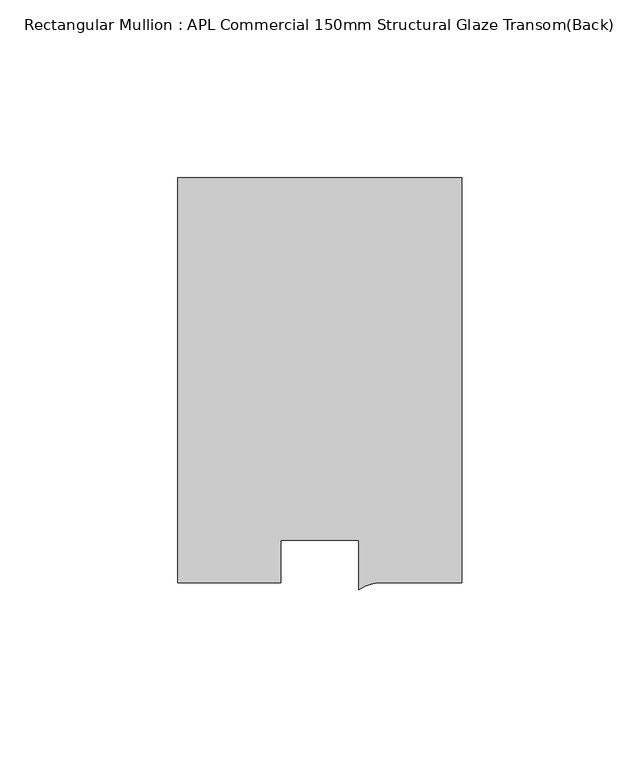
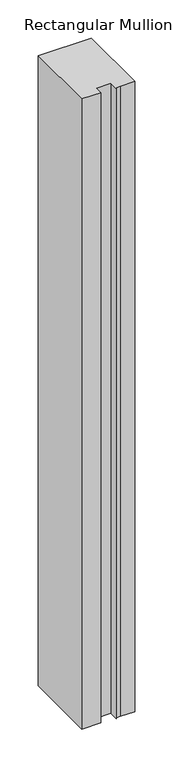
"""IFC4 building model written with IfcOpenShell, lengths in millimetres: member geometry, Rectangular Mullion : APL Commercial 150mm Structural Glaze Transom(Back)."""

from ifc_helpers import new_model, si_unit, point, frame, frame_2d, origin, place, context, project, spatial, polyline, circle_curve, trimmed, segment, composite_curve, outline, extrude, source, transform, mapped, element, save


def rectangular_mullion_apl_commercial_150mm_structural_glaze_7a8edaf1(model_context):
    return source(origin(), model_context, "Body", "SweptSolid", [
        extrude(outline(composite_curve([segment(polyline([(40.0, 128.9999975), (40.0, 15.0000829), (17.9999542, 15.0000829)]), True, "CONTINUOUS"), segment(trimmed(circle_curve(frame_2d((17.1097719, 4.581653)), 10.4563907), [point((17.9999542, 15.0000829))], [point((11.0000151, 13.0673455))], True, "CARTESIAN"), True, "CONTINUOUS"), segment(polyline([(11.0000151, 13.0673455), (11.0000151, 27.0), (-11.0000151, 27.0), (-11.0000151, 15.0000829), (-40.0, 15.0000829), (-40.0, 128.9999975), (40.0, 128.9999975)]), True, "CONTINUOUS")], self_intersect=False)), frame((0.0, 0.0, -1007.0000086), z_axis=(0.0, 0.0, 1.0), x_axis=(1.0, 0.0, 0.0)), (0.0, 0.0, 1.0), 1007.0000086),
    ])


if __name__ == "__main__":
    model = new_model("IFC4")
    model_context = context("Model", 3, world=origin())
    ifc_project = project(units=[si_unit("LENGTHUNIT", "METRE", prefix="MILLI")], contexts=[model_context])
    site = spatial("IfcSite", under=ifc_project)
    building = spatial("IfcBuilding", under=site)
    placement = place(None, origin())
    rectangular_mullion_apl_commercial_150mm_structural_glaze_shape = rectangular_mullion_apl_commercial_150mm_structural_glaze_7a8edaf1(model_context)
    element("IfcMember", 1, ObjectType="Rectangular Mullion : APL Commercial 150mm Structural Glaze Transom(Back)", at=placement, inside=building, context=model_context, shape_type="MappedRepresentation", body=[
        mapped(rectangular_mullion_apl_commercial_150mm_structural_glaze_shape, transform((0.0, 0.0, 0.0), x_axis=(1.0, 0.0, 0.0), y_axis=(0.0, 1.0, 0.0), z_axis=(0.0, 0.0, 1.0))),
    ])
    save(model, "model.ifc")
